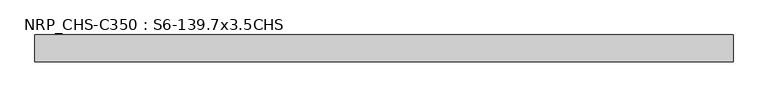
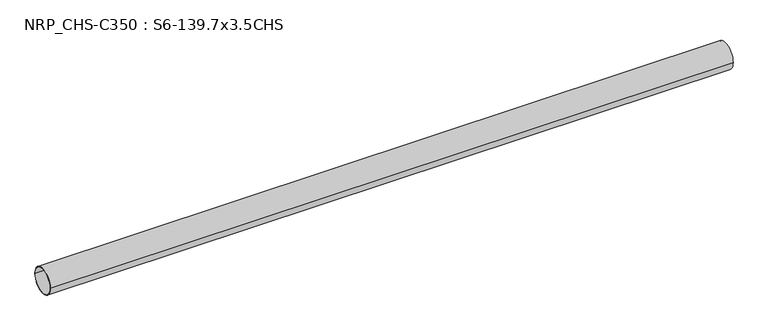
"""IFC4 building model written with IfcOpenShell, lengths in millimetres: beam geometry, NRP_CHS-C350 : S6-139.7x3.5CHS."""

from ifc_helpers import new_model, si_unit, point, frame, origin, origin_2d, place, context, project, spatial, circle_curve, trimmed, segment, composite_curve, outline, extrude, source, transform, mapped, element, save


def nrp_chs_c350_s6_139_7x3_5chs_1a4b56fd(model_context):
    return source(origin(), model_context, "Body", "SweptSolid", [
        extrude(outline(composite_curve([segment(trimmed(circle_curve(origin_2d(), 69.85), [point((69.85, 0.0))], [point((-69.85, 0.0))], False, "CARTESIAN"), True, "CONTINUOUS"), segment(trimmed(circle_curve(origin_2d(), 69.85), [point((-69.85, 0.0))], [point((69.85, 0.0))], False, "CARTESIAN"), True, "CONTINUOUS")], self_intersect=False), holes=[composite_curve([segment(trimmed(circle_curve(origin_2d(), 66.35), [point((-66.35, 0.0))], [point((66.35, 0.0))], True, "CARTESIAN"), True, "CONTINUOUS"), segment(trimmed(circle_curve(origin_2d(), 66.35), [point((66.35, 0.0))], [point((-66.35, 0.0))], True, "CARTESIAN"), True, "CONTINUOUS")], self_intersect=False)]), frame((-1752.9, 0.0, 0.0), z_axis=(1.0, 0.0, 0.0), x_axis=(0.0, 1.0, 0.0)), (0.0, 0.0, 1.0), 3604.0),
    ])


if __name__ == "__main__":
    model = new_model("IFC4")
    model_context = context("Model", 3, world=origin())
    ifc_project = project(units=[si_unit("LENGTHUNIT", "METRE", prefix="MILLI")], contexts=[model_context])
    site = spatial("IfcSite", under=ifc_project)
    building = spatial("IfcBuilding", under=site)
    placement = place(None, origin())
    nrp_chs_c350_s6_139_7x3_5chs_shape = nrp_chs_c350_s6_139_7x3_5chs_1a4b56fd(model_context)
    element("IfcBeam", 1, ObjectType="NRP_CHS-C350 : S6-139.7x3.5CHS", at=placement, inside=building, context=model_context, shape_type="MappedRepresentation", body=[
        mapped(nrp_chs_c350_s6_139_7x3_5chs_shape, transform((0.0, 0.0, 0.0), x_axis=(1.0, 0.0, 0.0), y_axis=(0.0, 1.0, 0.0), z_axis=(0.0, 0.0, 1.0))),
    ])
    save(model, "model.ifc")
